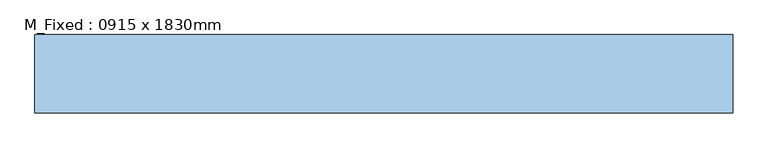
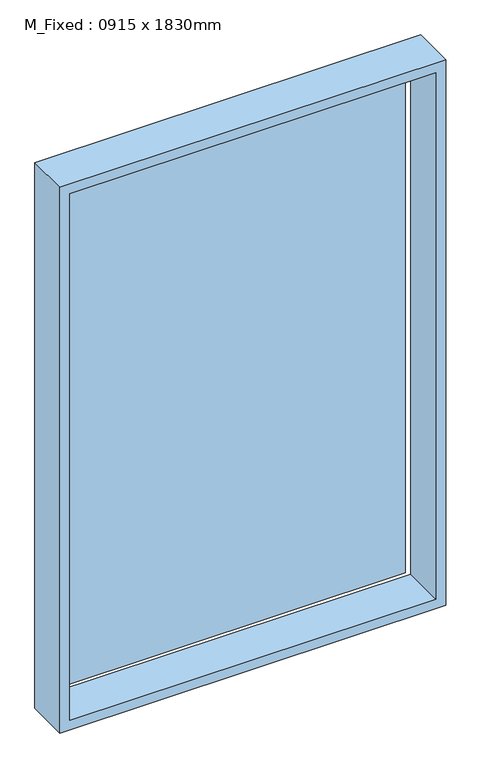
"""IFC4 building model written with IfcOpenShell, lengths in millimetres: window geometry, M_Fixed : 0915 x 1830mm."""

from ifc_helpers import new_model, si_unit, frame, origin, place, context, project, spatial, polyline, outline, extrude, source, transform, mapped, element, save


def m_fixed_0915_x_1830mm_982dc368(model_context):
    return source(origin(), model_context, "Body", "SweptSolid", [
        extrude(outline(polyline([(-734.3441477, 36.9934959), (394.5, 36.9934959), (394.5, 24.9934959), (-734.3441477, 24.9934959), (-734.3441477, 36.9934959)])), frame((0.0, 0.0, 368.0), z_axis=(0.0, 0.0, 1.0), x_axis=(1.0, 0.0, 0.0)), (0.0, 0.0, 1.0), 1704.0),
        extrude(outline(polyline([(2135.0, -766.3441477), (305.0, -766.3441477), (305.0, 457.5), (2135.0, 457.5), (2135.0, -766.3441477)]), holes=[polyline([(2103.0, -734.3441477), (2103.0, 425.5), (337.0, 425.5), (337.0, -734.3441477), (2103.0, -734.3441477)])]), frame((0.0, -87.0, 0.0), z_axis=(0.0, 1.0, 0.0), x_axis=(0.0, 0.0, 1.0)), (0.0, 0.0, 1.0), 137.0),
    ])


if __name__ == "__main__":
    model = new_model("IFC4")
    model_context = context("Model", 3, world=origin())
    ifc_project = project(units=[si_unit("LENGTHUNIT", "METRE", prefix="MILLI")], contexts=[model_context])
    site = spatial("IfcSite", under=ifc_project)
    building = spatial("IfcBuilding", under=site)
    placement = place(None, origin())
    m_fixed_0915_x_1830mm_shape = m_fixed_0915_x_1830mm_982dc368(model_context)
    element("IfcWindow", 1, ObjectType="M_Fixed : 0915 x 1830mm", at=placement, inside=building, context=model_context, shape_type="MappedRepresentation", body=[
        mapped(m_fixed_0915_x_1830mm_shape, transform((0.0, 0.0, 0.0), x_axis=(1.0, 0.0, 0.0), y_axis=(0.0, 1.0, 0.0), z_axis=(0.0, 0.0, 1.0))),
    ])
    save(model, "model.ifc")
